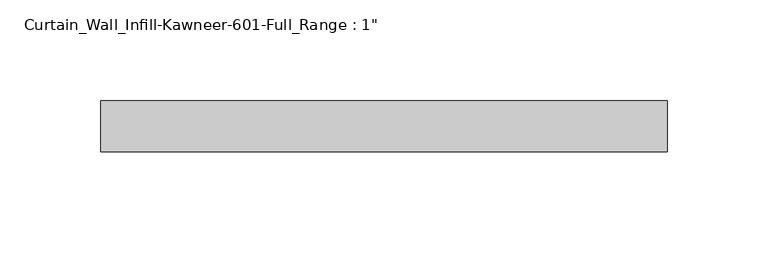
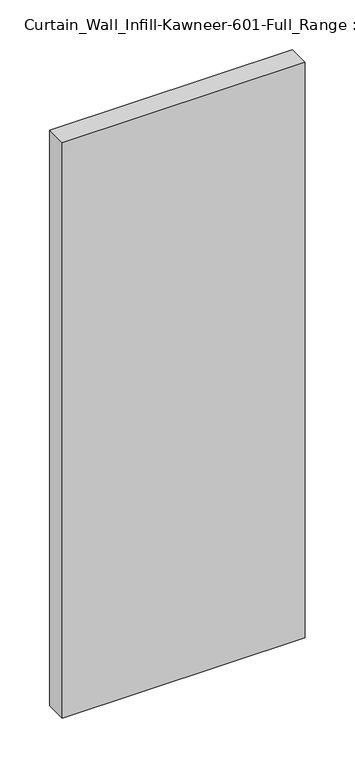
"""IFC4 building model written with IfcOpenShell, lengths in millimetres: plate geometry."""

from ifc_helpers import new_model, si_unit, origin, origin_with_axes, place, context, project, spatial, polyline, outline, extrude, source, transform, mapped, element, save


def plate_5886d6ef(model_context):
    return source(origin(), model_context, "Body", "SweptSolid", [
        extrude(outline(polyline([(-140.7583333, -12.7), (-140.7583333, 12.7), (140.7583333, 12.7), (140.7583333, -12.7), (-140.7583333, -12.7)])), origin_with_axes(), (0.0, 0.0, 1.0), 704.85),
    ])


if __name__ == "__main__":
    model = new_model("IFC4")
    model_context = context("Model", 3, world=origin())
    ifc_project = project(units=[si_unit("LENGTHUNIT", "METRE", prefix="MILLI")], contexts=[model_context])
    site = spatial("IfcSite", under=ifc_project)
    building = spatial("IfcBuilding", under=site)
    placement = place(None, origin())
    plate_shape = plate_5886d6ef(model_context)
    element("IfcPlate", 1, ObjectType="Curtain_Wall_Infill-Kawneer-601-Full_Range : 1\"", at=placement, inside=building, context=model_context, shape_type="MappedRepresentation", body=[
        mapped(plate_shape, transform((0.0, 0.0, 0.0), x_axis=(1.0, 0.0, 0.0), y_axis=(0.0, 1.0, 0.0), z_axis=(0.0, 0.0, 1.0))),
    ])
    save(model, "model.ifc")
